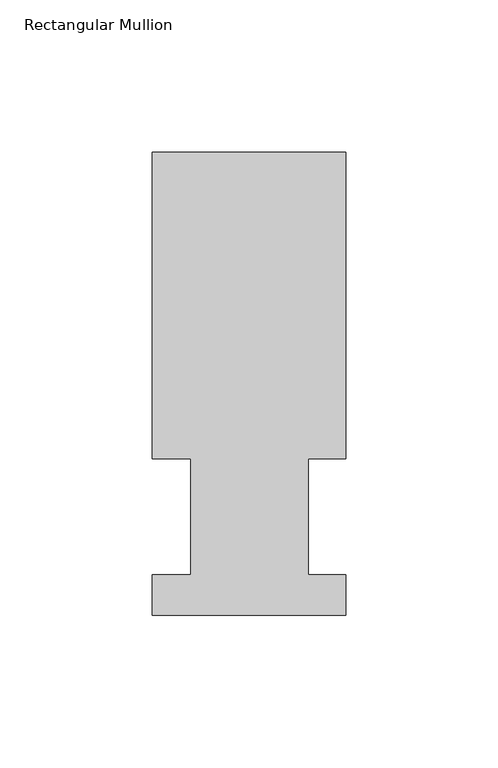
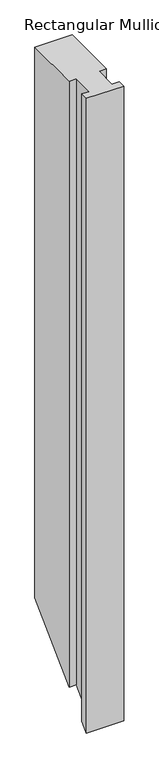
"""IFC4 building model written with IfcOpenShell, lengths in millimetres: member geometry, Rectangular Mullion."""

from ifc_helpers import new_model, si_unit, origin, place, context, project, spatial, faceted_brep, source, transform, mapped, element, save


def rectangular_mullion_9b3923aa(model_context):
    return source(origin(), model_context, "Body", "Brep", [
        faceted_brep([(0.0, 151.9816937, 0.0), (-63.5, 151.9816937, 0.0), (-63.5, 51.2960938, 0.0), (-50.8, 51.2960938, 0.0), (-50.8, 13.1960937, 0.0), (-63.5, 13.1960937, 0.0), (-63.5, 0.0134937, 0.0), (0.0, 0.0134937, 0.0), (0.0, 13.1960937, 0.0), (-12.3418395, 13.1960937, 0.0), (-12.3418395, 51.2960937, 0.0), (0.0, 51.2960938, 0.0), (0.0, 151.9816937, -991.0318), (-63.5, 151.9816937, -991.0318), (-63.5, 51.2960938, -1091.7174), (-50.8, 51.2960938, -1091.7174), (-50.8, 13.1960937, -1129.8174), (-63.5, 13.1960937, -1129.8174), (-63.5, 0.0134937, -1143.0), (0.0, 0.0134937, -1143.0), (0.0, 13.1960937, -1129.8174), (-12.3418395, 13.1960937, -1129.8174), (-12.3418395, 51.2960937, -1091.7174), (0.0, 51.2960937, -1091.7174)], [[[0, 1, 2, 3, 4, 5, 6, 7, 8, 9, 10, 11]], [[1, 0, 12, 13]], [[2, 1, 13, 14]], [[3, 2, 14, 15]], [[4, 3, 15, 16]], [[5, 4, 16, 17]], [[6, 5, 17, 18]], [[7, 6, 18, 19]], [[8, 7, 19, 20]], [[9, 8, 20, 21]], [[10, 9, 21, 22]], [[11, 10, 22, 23]], [[0, 11, 23, 12]], [[12, 23, 22, 21, 20, 19, 18, 17, 16, 15, 14, 13]]]),
    ])


if __name__ == "__main__":
    model = new_model("IFC4")
    model_context = context("Model", 3, world=origin())
    ifc_project = project(units=[si_unit("LENGTHUNIT", "METRE", prefix="MILLI")], contexts=[model_context])
    site = spatial("IfcSite", under=ifc_project)
    building = spatial("IfcBuilding", under=site)
    placement = place(None, origin())
    rectangular_mullion_shape = rectangular_mullion_9b3923aa(model_context)
    element("IfcMember", 1, ObjectType="Rectangular Mullion", at=placement, inside=building, context=model_context, shape_type="MappedRepresentation", body=[
        mapped(rectangular_mullion_shape, transform((0.0, 0.0, 0.0), x_axis=(1.0, 0.0, 0.0), y_axis=(0.0, 1.0, 0.0), z_axis=(0.0, 0.0, 1.0))),
    ])
    save(model, "model.ifc")
